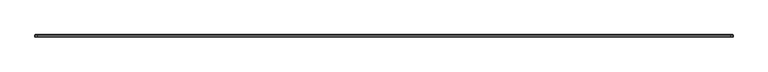
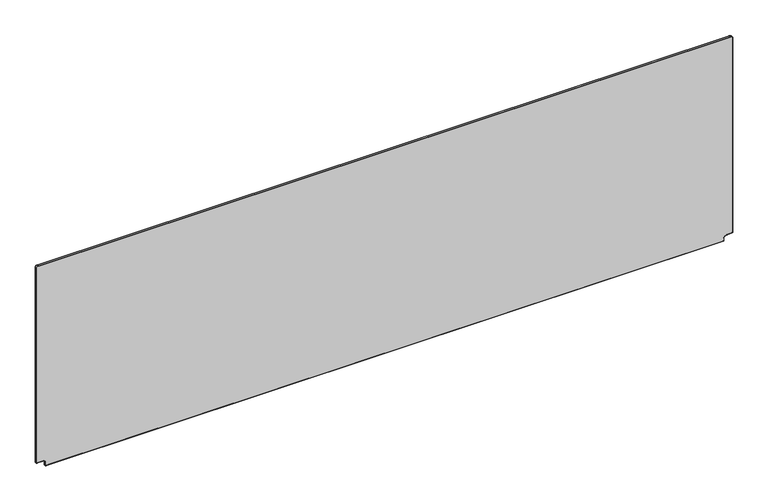
"""IFC4 building model written with IfcOpenShell, lengths in millimetres: furniture geometry."""

from ifc_helpers import new_model, si_unit, point, frame, origin, place, context, project, spatial, polyline, circle_curve, ellipse_curve, trimmed, source, transform, mapped, element, save
from ifc_brep_helpers import plane_surface, cylinder_surface, revolved_surface, advanced_brep


def furniture_b4fc2ed7(model_context):
    return source(origin(), model_context, "Body", "AdvancedBrep", [
        advanced_brep(
        [(-37.1058573, 0.0, 1236.4547231), (-32.5585153, 0.0, 1241.0020651), (1785.137377, 0.0, 1240.9797485), (1789.7058573, 0.0, 1236.4335847), (1789.6835407, 0.0, 696.7219419), (1773.9031504, 0.0, 696.7219419), (1765.5535698, 0.0, 688.3723612), (1765.5535698, 0.0, 681.6832625), (-12.9550716, 0.0, 681.6832625), (-12.9550716, 0.0, 688.4063736), (-21.2706399, 0.0, 696.7219419), (-37.0835407, 0.0, 696.7219419), (-32.5585153, -5.9942078, 1241.0018434), (-37.1056357, -5.9942078, 1236.4547231), (-37.1056357, -5.9942078, 696.7219419), (-21.2706399, -5.9942078, 696.6998469), (-12.9550716, -5.9942078, 688.4063736), (-12.9771666, -5.9942078, 681.6832625), (1765.5535698, -5.9942078, 681.6611675), (1765.5756647, -5.9942078, 688.3723612), (1773.9031504, -5.9942078, 696.7219419), (1789.6835407, -5.9942078, 696.6998469), (1789.7056357, -5.9942078, 1236.4335847), (1785.137377, -5.9942078, 1241.0018434), (-38.1106579, -1.0158976, 1236.4547231), (-32.5585153, -1.0158976, 1242.0068656), (-38.1106579, -4.9781981, 1236.4547231), (-32.5585153, -4.9781981, 1242.0068656), (-38.1106579, -1.0158976, 695.6948247), (-38.1106579, -4.9781981, 695.6948247), (-21.2706399, -1.0158976, 695.6948247), (-21.2706399, -4.9781981, 695.6948247), (-13.9821888, -1.0158976, 688.4063736), (-13.9821888, -4.9781981, 688.4063736), (-13.9821888, -1.0158976, 680.6561453), (-13.9821888, -4.9781981, 680.6561453), (1766.580687, -1.0158976, 680.6561453), (1766.580687, -4.9781981, 680.6561453), (1766.580687, -1.0158976, 688.3723612), (1766.580687, -4.9781981, 688.3723612), (1773.9031504, -1.0158976, 695.6948247), (1773.9031504, -4.9781981, 695.6948247), (1790.7106579, -1.0158976, 695.6948247), (1790.7106579, -4.9781981, 695.6948247), (1790.7106579, -1.0158976, 1236.4335847), (1790.7106579, -4.9781981, 1236.4335847), (1785.137377, -1.0158976, 1242.0068656), (1785.137377, -4.9781981, 1242.0068656)],
        [
            (0, 1, circle_curve(frame((-32.5585153, 0.0, 1236.4547231), z_axis=(0.0, 1.0, 0.0), x_axis=(0.0, 0.0, 1.0)), 4.547342)),
            (1, 2),
            (2, 3, circle_curve(frame((1785.137377, 0.0, 1236.4335847), z_axis=(0.0, 1.0, 0.0), x_axis=(1.0, 0.0, 0.0)), 4.5684803)),
            (3, 4),
            (4, 5),
            (5, 6, circle_curve(frame((1773.9031504, 0.0, 688.3723612), z_axis=(0.0, -1.0, 0.0), x_axis=(-1.0, 0.0, 0.0)), 8.3495806)),
            (6, 7),
            (7, 8),
            (8, 9),
            (9, 10, circle_curve(frame((-21.2706399, 0.0, 688.4063736), z_axis=(0.0, -1.0, 0.0), x_axis=(0.0, 0.0, 1.0)), 8.3155683)),
            (10, 11),
            (11, 0),
            (12, 13, circle_curve(frame((-32.5585153, -5.9942078, 1236.4547231), z_axis=(0.0, -1.0, 0.0), x_axis=(0.0, 0.0, 1.0)), 4.5471204)),
            (13, 14),
            (14, 15),
            (15, 16, circle_curve(frame((-21.2706399, -5.9942078, 688.4063736), z_axis=(0.0, 1.0, 0.0), x_axis=(0.0, 0.0, 1.0)), 8.3155683)),
            (16, 17),
            (17, 18),
            (18, 19),
            (19, 20, circle_curve(frame((1773.9031504, -5.9942078, 688.3723612), z_axis=(0.0, 1.0, 0.0), x_axis=(-1.0, 0.0, 0.0)), 8.3495806)),
            (20, 21),
            (21, 22),
            (22, 23, circle_curve(frame((1785.137377, -5.9942078, 1236.4335847), z_axis=(0.0, -1.0, 0.0), x_axis=(1.0, 0.0, 0.0)), 4.5682587)),
            (23, 12),
            (24, 25, circle_curve(frame((-32.5585153, -1.0158976, 1236.4547231), z_axis=(0.0, 1.0, 0.0), x_axis=(0.0, 0.0, 1.0)), 5.5521426)),
            (25, 1, circle_curve(frame((-32.5585153, -1.0158976, 1240.9909068), z_axis=(-1.0, 0.0, 0.0), x_axis=(0.0, 0.0, -1.0)), 1.0159589)),
            (0, 24, circle_curve(frame((-37.094699, -1.0158976, 1236.4547231), z_axis=(0.0, 0.0, 1.0), x_axis=(1.0, 0.0, 0.0)), 1.0159589)),
            (24, 26),
            (26, 27, circle_curve(frame((-32.5585153, -4.9781981, 1236.4547231), z_axis=(0.0, 1.0, 0.0), x_axis=(0.0, 0.0, 1.0)), 5.5521426)),
            (27, 25),
            (26, 13, circle_curve(frame((-37.0945882, -4.9781981, 1236.4547231), z_axis=(0.0, 0.0, 1.0), x_axis=(1.0, 0.0, 0.0)), 1.0160697)),
            (12, 27, circle_curve(frame((-32.5585153, -4.9781981, 1240.990796), z_axis=(-1.0, 0.0, 0.0), x_axis=(0.0, 0.0, -1.0)), 1.0160697)),
            (11, 28, ellipse_curve(frame((-37.094699, -1.0158976, 696.7107836), z_axis=(-0.7071067811865475, 0.0, 0.7071067811865475), x_axis=(0.7071067811865474, 0.0, 0.7071067811865476)), 1.4367828, 1.0159589)),
            (28, 24),
            (28, 29),
            (29, 26),
            (29, 14, ellipse_curve(frame((-37.0945882, -4.9781981, 696.7108944), z_axis=(-0.7071067811865475, 0.0, 0.7071067811865475), x_axis=(0.7071067811865474, 0.0, 0.7071067811865476)), 1.4369395, 1.0160697)),
            (10, 30, circle_curve(frame((-21.2706399, -1.0158976, 696.7107836), z_axis=(-1.0, 0.0, 0.0), x_axis=(0.0, 0.0, 1.0)), 1.0159589)),
            (30, 28),
            (30, 31),
            (31, 29),
            (31, 15, circle_curve(frame((-21.2706399, -4.9781981, 696.7108944), z_axis=(-1.0, 0.0, 0.0), x_axis=(0.0, 0.0, 1.0)), 1.0160697)),
            (9, 32, circle_curve(frame((-12.9662299, -1.0158976, 688.4063736), z_axis=(0.0, 0.0, 1.0), x_axis=(1.0, 0.0, 0.0)), 1.0159589)),
            (32, 30, circle_curve(frame((-21.2706399, -1.0158976, 688.4063736), z_axis=(0.0, -1.0, 0.0), x_axis=(0.0, 0.0, 1.0)), 7.2884511)),
            (32, 33),
            (33, 31, circle_curve(frame((-21.2706399, -4.9781981, 688.4063736), z_axis=(0.0, -1.0, 0.0), x_axis=(0.0, 0.0, 1.0)), 7.2884511)),
            (33, 16, circle_curve(frame((-12.9661191, -4.9781981, 688.4063736), z_axis=(0.0, 0.0, 1.0), x_axis=(1.0, 0.0, 0.0)), 1.0160697)),
            (8, 34, ellipse_curve(frame((-12.9662299, -1.0158976, 681.6721042), z_axis=(-0.7071067811865475, 0.0, 0.7071067811865475), x_axis=(0.7071067811865474, 0.0, 0.7071067811865476)), 1.4367828, 1.0159589)),
            (34, 32),
            (34, 35),
            (35, 33),
            (35, 17, ellipse_curve(frame((-12.9661191, -4.9781981, 681.672215), z_axis=(-0.7071067811865475, 0.0, 0.7071067811865475), x_axis=(0.7071067811865474, 0.0, 0.7071067811865476)), 1.4369395, 1.0160697)),
            (7, 36, ellipse_curve(frame((1765.5647281, -1.0158976, 681.6721042), z_axis=(-0.7071067811865475, 0.0, -0.7071067811865475), x_axis=(-0.7071067811865476, 0.0, 0.7071067811865474)), 1.4367828, 1.0159589)),
            (36, 34),
            (36, 37),
            (37, 35),
            (37, 18, ellipse_curve(frame((1765.5646173, -4.9781981, 681.672215), z_axis=(-0.7071067811865475, 0.0, -0.7071067811865475), x_axis=(-0.7071067811865476, 0.0, 0.7071067811865474)), 1.4369395, 1.0160697)),
            (6, 38, circle_curve(frame((1765.5647281, -1.0158976, 688.3723612), z_axis=(0.0, 0.0, -1.0), x_axis=(-1.0, 0.0, 0.0)), 1.0159589)),
            (38, 36),
            (38, 39),
            (39, 37),
            (39, 19, circle_curve(frame((1765.5646173, -4.9781981, 688.3723612), z_axis=(0.0, 0.0, -1.0), x_axis=(-1.0, 0.0, 0.0)), 1.0160697)),
            (5, 40, circle_curve(frame((1773.9031504, -1.0158976, 696.7107836), z_axis=(-1.0, 0.0, 0.0), x_axis=(0.0, 0.0, 1.0)), 1.0159589)),
            (40, 38, circle_curve(frame((1773.9031504, -1.0158976, 688.3723612), z_axis=(0.0, -1.0, 0.0), x_axis=(-1.0, 0.0, 0.0)), 7.3224635)),
            (40, 41),
            (41, 39, circle_curve(frame((1773.9031504, -4.9781981, 688.3723612), z_axis=(0.0, -1.0, 0.0), x_axis=(-1.0, 0.0, 0.0)), 7.3224635)),
            (41, 20, circle_curve(frame((1773.9031504, -4.9781981, 696.7108944), z_axis=(-1.0, 0.0, 0.0), x_axis=(0.0, 0.0, 1.0)), 1.0160697)),
            (4, 42, ellipse_curve(frame((1789.694699, -1.0158976, 696.7107836), z_axis=(-0.7071067811865475, 0.0, -0.7071067811865475), x_axis=(-0.7071067811865476, 0.0, 0.7071067811865474)), 1.4367828, 1.0159589)),
            (42, 40),
            (42, 43),
            (43, 41),
            (43, 21, ellipse_curve(frame((1789.6945882, -4.9781981, 696.7108944), z_axis=(-0.7071067811865475, 0.0, -0.7071067811865475), x_axis=(-0.7071067811865476, 0.0, 0.7071067811865474)), 1.4369395, 1.0160697)),
            (3, 44, circle_curve(frame((1789.694699, -1.0158976, 1236.4335847), z_axis=(0.0, 0.0, -1.0), x_axis=(-1.0, 0.0, 0.0)), 1.0159589)),
            (44, 42),
            (44, 45),
            (45, 43),
            (45, 22, circle_curve(frame((1789.6945882, -4.9781981, 1236.4335847), z_axis=(0.0, 0.0, -1.0), x_axis=(-1.0, 0.0, 0.0)), 1.0160697)),
            (2, 46, circle_curve(frame((1785.137377, -1.0158976, 1240.9909068), z_axis=(1.0, 0.0, 0.0), x_axis=(0.0, 0.0, -1.0)), 1.0159589)),
            (46, 44, circle_curve(frame((1785.137377, -1.0158976, 1236.4335847), z_axis=(0.0, 1.0, 0.0), x_axis=(1.0, 0.0, 0.0)), 5.5732809)),
            (46, 47),
            (47, 45, circle_curve(frame((1785.137377, -4.9781981, 1236.4335847), z_axis=(0.0, 1.0, 0.0), x_axis=(1.0, 0.0, 0.0)), 5.5732809)),
            (47, 23, circle_curve(frame((1785.137377, -4.9781981, 1240.990796), z_axis=(1.0, 0.0, 0.0), x_axis=(0.0, 0.0, -1.0)), 1.0160697)),
            (25, 46),
            (27, 47),
        ],
        [
            plane_surface(frame((-32.5585153, 0.0, 1240.9797485), z_axis=(0.0, 1.0, 0.0), x_axis=(1.0, 0.0, 0.0))),
            plane_surface(frame((-32.5585153, -5.9942078, 1240.9797485), z_axis=(0.0, -1.0, 0.0), x_axis=(-1.0, 0.0, 0.0))),
            revolved_surface(trimmed(ellipse_curve(frame((-32.5585153, -1.0158976, 1240.9909068), z_axis=(1.0, 0.0, 0.0), x_axis=(0.0, 0.0, -1.0)), 1.0159589, 1.0159589), [point((-32.5585153, 0.0, 1240.9797485))], [point((-32.5585153, -1.0158976, 1242.0068656))], True, "CARTESIAN"), (-32.5585153, -5.9942078, 1236.4547231), (0.0, -1.0, 0.0)),
            cylinder_surface(frame((-32.5585153, -5.9942078, 1236.4547231), z_axis=(0.0, -1.0, 0.0), x_axis=(0.0, 0.0, 1.0)), 5.5521426),
            revolved_surface(trimmed(ellipse_curve(frame((-32.5585153, -4.9781981, 1240.990796), z_axis=(1.0, 0.0, 0.0), x_axis=(0.0, 0.0, -1.0)), 1.0160697, 1.0160697), [point((-32.5585153, -4.9781981, 1242.0068656))], [point((-32.5585153, -5.9942078, 1240.9797485))], True, "CARTESIAN"), (-32.5585153, -5.9942078, 1236.4547231), (0.0, -1.0, 0.0)),
            cylinder_surface(frame((-37.094699, -1.0158976, 1236.4547231), z_axis=(0.0, 0.0, 1.0), x_axis=(1.0, 0.0, 0.0)), 1.0159589),
            plane_surface(frame((-38.1106579, -1.0158976, 1236.4547231), z_axis=(-1.0, 0.0, 0.0), x_axis=(0.0, 0.0, -1.0))),
            cylinder_surface(frame((-37.0945882, -4.9781981, 1236.4547231), z_axis=(0.0, 0.0, 1.0), x_axis=(1.0, 0.0, 0.0)), 1.0160697),
            cylinder_surface(frame((-37.0835407, -1.0158976, 696.7107836), z_axis=(-1.0, 0.0, 0.0), x_axis=(0.0, 0.0, 1.0)), 1.0159589),
            plane_surface(frame((-38.1106579, -1.0158976, 695.6948247), z_axis=(0.0, 0.0, -1.0), x_axis=(1.0, 0.0, 0.0))),
            cylinder_surface(frame((-37.0835407, -4.9781981, 696.7108944), z_axis=(-1.0, 0.0, 0.0), x_axis=(0.0, 0.0, 1.0)), 1.0160697),
            revolved_surface(trimmed(ellipse_curve(frame((-21.2706399, -1.0158976, 696.7107836), z_axis=(-1.0, 0.0, 0.0), x_axis=(0.0, 0.0, 1.0)), 1.0159589, 1.0159589), [point((-21.2706399, 0.0, 696.7219419))], [point((-21.2706399, -1.0158976, 695.6948247))], True, "CARTESIAN"), (-21.2706399, -5.9942078, 688.4063736), (0.0, 1.0, 0.0)),
            revolved_surface(polyline([(-21.2706399, -1.0158975999999997, 695.6948247), (-21.2706399, -4.9781981, 695.6948247)]), (-21.2706399, -5.9942078, 688.4063736), (0.0, 1.0, 0.0)),
            revolved_surface(trimmed(ellipse_curve(frame((-21.2706399, -4.9781981, 696.7108944), z_axis=(-1.0, 0.0, 0.0), x_axis=(0.0, 0.0, 1.0)), 1.0160697, 1.0160697), [point((-21.2706399, -4.9781981, 695.6948247))], [point((-21.2706399, -5.9942078, 696.7219419))], True, "CARTESIAN"), (-21.2706399, -5.9942078, 688.4063736), (0.0, 1.0, 0.0)),
            cylinder_surface(frame((-12.9662299, -1.0158976, 688.4063736), z_axis=(0.0, 0.0, 1.0), x_axis=(1.0, 0.0, 0.0)), 1.0159589),
            plane_surface(frame((-13.9821888, -1.0158976, 688.4063736), z_axis=(-1.0, 0.0, 0.0), x_axis=(0.0, 0.0, -1.0))),
            cylinder_surface(frame((-12.9661191, -4.9781981, 688.4063736), z_axis=(0.0, 0.0, 1.0), x_axis=(1.0, 0.0, 0.0)), 1.0160697),
            cylinder_surface(frame((-12.9550716, -1.0158976, 681.6721042), z_axis=(-1.0, 0.0, 0.0), x_axis=(0.0, 0.0, 1.0)), 1.0159589),
            plane_surface(frame((-13.9821888, -1.0158976, 680.6561453), z_axis=(0.0, 0.0, -1.0), x_axis=(1.0, 0.0, 0.0))),
            cylinder_surface(frame((-12.9550716, -4.9781981, 681.672215), z_axis=(-1.0, 0.0, 0.0), x_axis=(0.0, 0.0, 1.0)), 1.0160697),
            cylinder_surface(frame((1765.5647281, -1.0158976, 681.6832625), z_axis=(0.0, 0.0, -1.0), x_axis=(-1.0, 0.0, 0.0)), 1.0159589),
            plane_surface(frame((1766.580687, -1.0158976, 680.6561453), z_axis=(1.0, 0.0, 0.0), x_axis=(0.0, 0.0, 1.0))),
            cylinder_surface(frame((1765.5646173, -4.9781981, 681.6832625), z_axis=(0.0, 0.0, -1.0), x_axis=(-1.0, 0.0, 0.0)), 1.0160697),
            revolved_surface(trimmed(ellipse_curve(frame((1765.5647281, -1.0158976, 688.3723612), z_axis=(0.0, 0.0, -1.0), x_axis=(-1.0, 0.0, 0.0)), 1.0159589, 1.0159589), [point((1765.5535698, 0.0, 688.3723612))], [point((1766.580687, -1.0158976, 688.3723612))], True, "CARTESIAN"), (1773.9031504, -5.9942078, 688.3723612), (0.0, 1.0, 0.0)),
            revolved_surface(polyline([(1766.5806869, -1.0158975999999997, 688.3723612), (1766.5806869, -4.9781981, 688.3723612)]), (1773.9031504, -5.9942078, 688.3723612), (0.0, 1.0, 0.0)),
            revolved_surface(trimmed(ellipse_curve(frame((1765.5646173, -4.9781981, 688.3723612), z_axis=(0.0, 0.0, -1.0), x_axis=(-1.0, 0.0, 0.0)), 1.0160697, 1.0160697), [point((1766.580687, -4.9781981, 688.3723612))], [point((1765.5535698, -5.9942078, 688.3723612))], True, "CARTESIAN"), (1773.9031504, -5.9942078, 688.3723612), (0.0, 1.0, 0.0)),
            cylinder_surface(frame((1773.9031504, -1.0158976, 696.7107836), z_axis=(-1.0, 0.0, 0.0), x_axis=(0.0, 0.0, 1.0)), 1.0159589),
            plane_surface(frame((1773.9031504, -1.0158976, 695.6948247), z_axis=(0.0, 0.0, -1.0), x_axis=(1.0, 0.0, 0.0))),
            cylinder_surface(frame((1773.9031504, -4.9781981, 696.7108944), z_axis=(-1.0, 0.0, 0.0), x_axis=(0.0, 0.0, 1.0)), 1.0160697),
            cylinder_surface(frame((1789.694699, -1.0158976, 696.7219419), z_axis=(0.0, 0.0, -1.0), x_axis=(-1.0, 0.0, 0.0)), 1.0159589),
            plane_surface(frame((1790.7106579, -1.0158976, 695.6948247), z_axis=(1.0, 0.0, 0.0), x_axis=(0.0, 0.0, 1.0))),
            cylinder_surface(frame((1789.6945882, -4.9781981, 696.7219419), z_axis=(0.0, 0.0, -1.0), x_axis=(-1.0, 0.0, 0.0)), 1.0160697),
            revolved_surface(trimmed(ellipse_curve(frame((1789.694699, -1.0158976, 1236.4335847), z_axis=(0.0, 0.0, -1.0), x_axis=(-1.0, 0.0, 0.0)), 1.0159589, 1.0159589), [point((1789.6835407, 0.0, 1236.4335847))], [point((1790.7106579, -1.0158976, 1236.4335847))], True, "CARTESIAN"), (1785.137377, -5.9942078, 1236.4335847), (0.0, -1.0, 0.0)),
            cylinder_surface(frame((1785.137377, -5.9942078, 1236.4335847), z_axis=(0.0, -1.0, 0.0), x_axis=(1.0, 0.0, 0.0)), 5.5732809),
            revolved_surface(trimmed(ellipse_curve(frame((1789.6945882, -4.9781981, 1236.4335847), z_axis=(0.0, 0.0, -1.0), x_axis=(-1.0, 0.0, 0.0)), 1.0160697, 1.0160697), [point((1790.7106579, -4.9781981, 1236.4335847))], [point((1789.6835407, -5.9942078, 1236.4335847))], True, "CARTESIAN"), (1785.137377, -5.9942078, 1236.4335847), (0.0, -1.0, 0.0)),
            cylinder_surface(frame((1785.137377, -1.0158976, 1240.9909068), z_axis=(1.0, 0.0, 0.0), x_axis=(0.0, 0.0, -1.0)), 1.0159589),
            plane_surface(frame((1785.137377, -1.0158976, 1242.0068656), z_axis=(0.0, 0.0, 1.0), x_axis=(-1.0, 0.0, 0.0))),
            cylinder_surface(frame((1785.137377, -4.9781981, 1240.990796), z_axis=(1.0, 0.0, 0.0), x_axis=(0.0, 0.0, -1.0)), 1.0160697),
        ],
        [
            (0, [[1, 2, 3, 4, 5, 6, 7, 8, 9, 10, 11, 12]]),
            (1, [[13, 14, 15, 16, 17, 18, 19, 20, 21, 22, 23, 24]]),
            (2, [[25, 26, -1, 27]]),
            (3, [[-25, 28, 29, 30]]),
            (4, [[-29, 31, -13, 32]]),
            (5, [[-27, -12, 33, 34]]),
            (6, [[-28, -34, 35, 36]]),
            (7, [[-31, -36, 37, -14]]),
            (8, [[-33, -11, 38, 39]]),
            (9, [[-35, -39, 40, 41]]),
            (10, [[-37, -41, 42, -15]]),
            (11, [[-38, -10, 43, 44]]),
            (12, [[-40, -44, 45, 46]]),
            (13, [[-42, -46, 47, -16]]),
            (14, [[-43, -9, 48, 49]]),
            (15, [[-45, -49, 50, 51]]),
            (16, [[-47, -51, 52, -17]]),
            (17, [[-48, -8, 53, 54]]),
            (18, [[-50, -54, 55, 56]]),
            (19, [[-52, -56, 57, -18]]),
            (20, [[-53, -7, 58, 59]]),
            (21, [[-55, -59, 60, 61]]),
            (22, [[-57, -61, 62, -19]]),
            (23, [[-58, -6, 63, 64]]),
            (24, [[-60, -64, 65, 66]]),
            (25, [[-62, -66, 67, -20]]),
            (26, [[-63, -5, 68, 69]]),
            (27, [[-65, -69, 70, 71]]),
            (28, [[-67, -71, 72, -21]]),
            (29, [[-68, -4, 73, 74]]),
            (30, [[-70, -74, 75, 76]]),
            (31, [[-72, -76, 77, -22]]),
            (32, [[-73, -3, 78, 79]]),
            (33, [[-75, -79, 80, 81]]),
            (34, [[-77, -81, 82, -23]]),
            (35, [[-26, 83, -78, -2]]),
            (36, [[-30, 84, -80, -83]]),
            (37, [[-32, -24, -82, -84]]),
        ],
    ),
    ])


if __name__ == "__main__":
    model = new_model("IFC4")
    model_context = context("Model", 3, world=origin())
    ifc_project = project(units=[si_unit("LENGTHUNIT", "METRE", prefix="MILLI")], contexts=[model_context])
    site = spatial("IfcSite", under=ifc_project)
    building = spatial("IfcBuilding", under=site)
    placement = place(None, origin())
    furniture_shape = furniture_b4fc2ed7(model_context)
    element("IfcFurniture", 1, at=placement, inside=building, context=model_context, shape_type="MappedRepresentation", body=[
        mapped(furniture_shape, transform((0.0, 0.0, 0.0), x_axis=(1.0, 0.0, 0.0), y_axis=(0.0, 1.0, 0.0), z_axis=(0.0, 0.0, 1.0))),
    ])
    save(model, "model.ifc")
